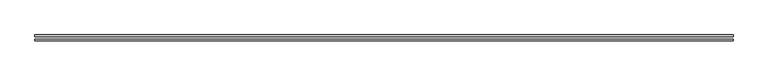
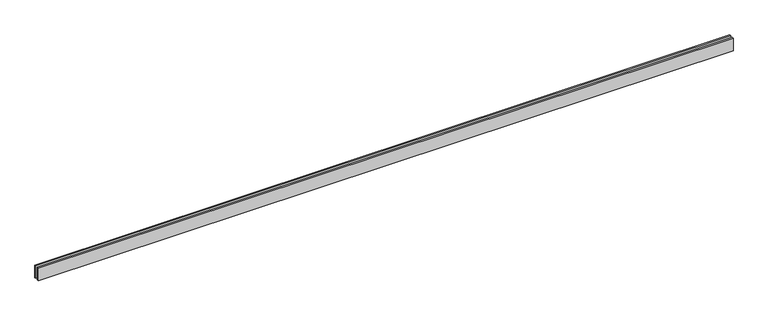
"""IFC4 building model written with IfcOpenShell, lengths in millimetres: proxy geometry."""

from ifc_helpers import new_model, si_unit, origin, origin_with_axes, place, context, project, spatial, polyline, outline, extrude, source, transform, mapped, element, save


def generic_models_f22c14ce(model_context):
    return source(origin(), model_context, "Body", "SweptSolid", [
        extrude(outline(polyline([(13110.0, -25.0), (13110.0, -55.0), (0.0, -55.0), (0.0, -25.0), (13110.0, -25.0)])), origin_with_axes(), (0.0, 0.0, 1.0), 250.0),
        extrude(outline(polyline([(13110.0, 55.0), (13110.0, 25.0), (0.0, 25.0), (0.0, 55.0), (13110.0, 55.0)])), origin_with_axes(), (0.0, 0.0, 1.0), 250.0),
    ])


if __name__ == "__main__":
    model = new_model("IFC4")
    model_context = context("Model", 3, world=origin())
    ifc_project = project(units=[si_unit("LENGTHUNIT", "METRE", prefix="MILLI")], contexts=[model_context])
    site = spatial("IfcSite", under=ifc_project)
    building = spatial("IfcBuilding", under=site)
    placement = place(None, origin())
    generic_models_shape = generic_models_f22c14ce(model_context)
    element("IfcBuildingElementProxy", 1, Name="Generic Models", at=placement, inside=building, context=model_context, shape_type="MappedRepresentation", body=[
        mapped(generic_models_shape, transform((0.0, 0.0, 0.0), x_axis=(1.0, 0.0, 0.0), y_axis=(0.0, 1.0, 0.0), z_axis=(0.0, 0.0, 1.0))),
    ])
    save(model, "model.ifc")
